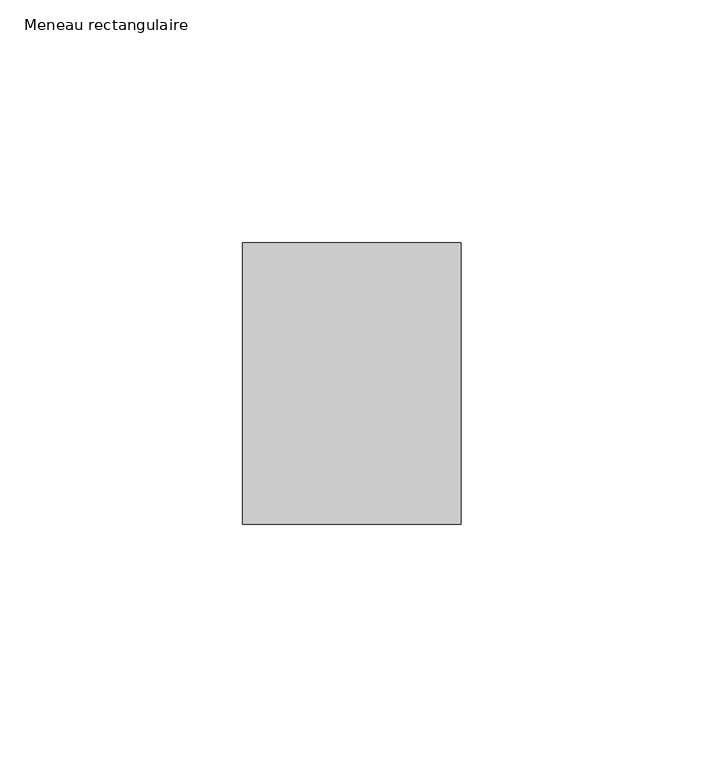
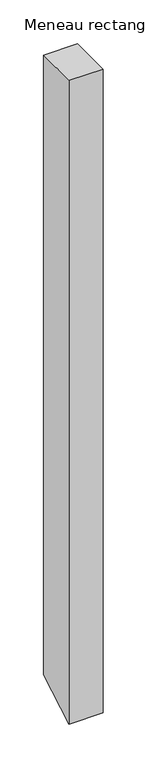
"""IFC4 building model written with IfcOpenShell, lengths in millimetres: member geometry, Meneau rectangulaire."""

from ifc_helpers import new_model, si_unit, frame, origin, place, context, project, spatial, polyline, outline, extrude, source, transform, mapped, element, save


def meneau_rectangulaire_e855f768(model_context):
    return source(origin(), model_context, "Body", "SweptSolid", [
        extrude(outline(polyline([(-29.0, 0.0), (29.0, 0.0), (29.0, -864.0263577), (-29.0, -897.5126733), (-29.0, 0.0)])), frame((-45.0, 0.0, 0.0), z_axis=(1.0, 0.0, 0.0), x_axis=(0.0, 1.0, 0.0)), (0.0, 0.0, 1.0), 45.0),
    ])


if __name__ == "__main__":
    model = new_model("IFC4")
    model_context = context("Model", 3, world=origin())
    ifc_project = project(units=[si_unit("LENGTHUNIT", "METRE", prefix="MILLI")], contexts=[model_context])
    site = spatial("IfcSite", under=ifc_project)
    building = spatial("IfcBuilding", under=site)
    placement = place(None, origin())
    meneau_rectangulaire_shape = meneau_rectangulaire_e855f768(model_context)
    element("IfcMember", 1, ObjectType="Meneau rectangulaire", at=placement, inside=building, context=model_context, shape_type="MappedRepresentation", body=[
        mapped(meneau_rectangulaire_shape, transform((0.0, 0.0, 0.0), x_axis=(1.0, 0.0, 0.0), y_axis=(0.0, 1.0, 0.0), z_axis=(0.0, 0.0, 1.0))),
    ])
    save(model, "model.ifc")
